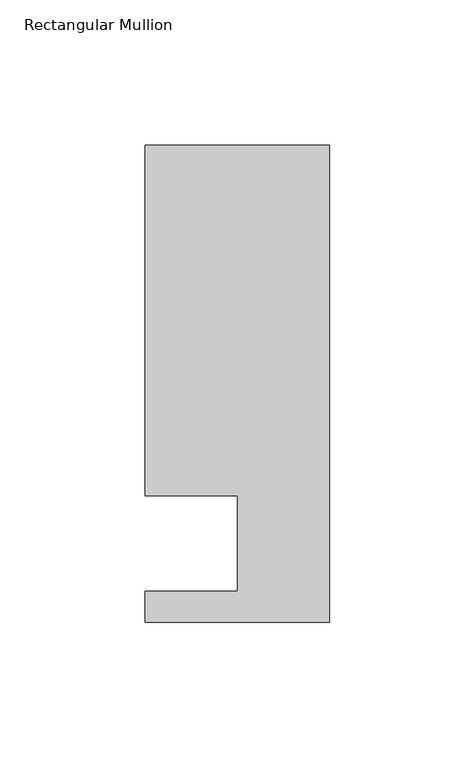
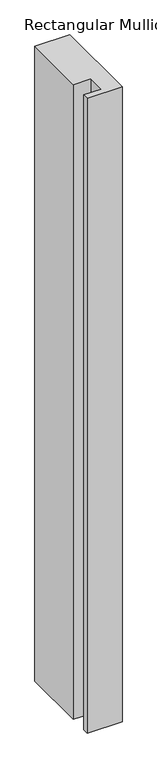
"""IFC4 building model written with IfcOpenShell, lengths in millimetres: member geometry, Rectangular Mullion."""

from ifc_helpers import new_model, si_unit, frame, origin, place, context, project, spatial, polyline, outline, extrude, source, transform, mapped, element, save


def rectangular_mullion_5b34c4f2(model_context):
    return source(origin(), model_context, "Body", "SweptSolid", [
        extrude(outline(polyline([(-31.75, 152.4), (31.75, 152.4), (31.75, -11.684), (-31.7691048, -11.684), (-31.7691048, -1.016), (0.0, -1.016), (0.0, 31.75), (-31.75, 31.75), (-31.75, 152.4)])), frame((0.0, 0.0, -1219.2), z_axis=(0.0, 0.0, 1.0), x_axis=(1.0, 0.0, 0.0)), (0.0, 0.0, 1.0), 1219.2),
    ])


if __name__ == "__main__":
    model = new_model("IFC4")
    model_context = context("Model", 3, world=origin())
    ifc_project = project(units=[si_unit("LENGTHUNIT", "METRE", prefix="MILLI")], contexts=[model_context])
    site = spatial("IfcSite", under=ifc_project)
    building = spatial("IfcBuilding", under=site)
    placement = place(None, origin())
    rectangular_mullion_shape = rectangular_mullion_5b34c4f2(model_context)
    element("IfcMember", 1, ObjectType="Rectangular Mullion", at=placement, inside=building, context=model_context, shape_type="MappedRepresentation", body=[
        mapped(rectangular_mullion_shape, transform((0.0, 0.0, 0.0), x_axis=(1.0, 0.0, 0.0), y_axis=(0.0, 1.0, 0.0), z_axis=(0.0, 0.0, 1.0))),
    ])
    save(model, "model.ifc")
